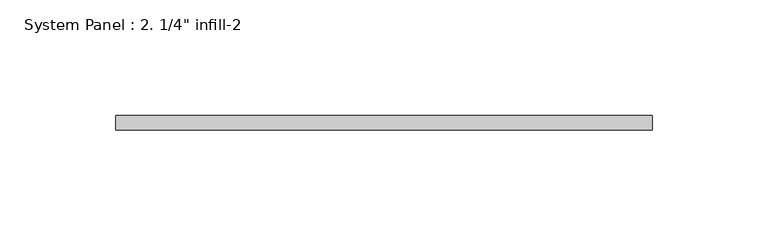
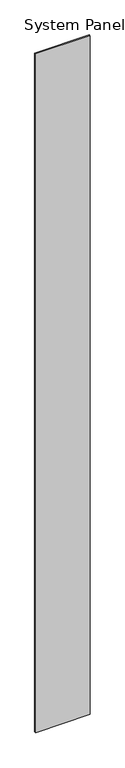
"""IFC4 building model written with IfcOpenShell, lengths in millimetres: plate geometry."""

from ifc_helpers import new_model, si_unit, origin, origin_with_axes, place, context, project, spatial, polyline, outline, extrude, source, transform, mapped, element, save


def plate_c7cd5bea(model_context):
    return source(origin(), model_context, "Body", "SweptSolid", [
        extrude(outline(polyline([(116.0587262, 0.0), (-116.0587262, 0.0), (-116.0587262, 6.35), (116.0587262, 6.35), (116.0587262, 0.0)])), origin_with_axes(), (0.0, 0.0, 1.0), 3048.0),
    ])


if __name__ == "__main__":
    model = new_model("IFC4")
    model_context = context("Model", 3, world=origin())
    ifc_project = project(units=[si_unit("LENGTHUNIT", "METRE", prefix="MILLI")], contexts=[model_context])
    site = spatial("IfcSite", under=ifc_project)
    building = spatial("IfcBuilding", under=site)
    placement = place(None, origin())
    plate_shape = plate_c7cd5bea(model_context)
    element("IfcPlate", 1, ObjectType="System Panel : 2. 1/4\" infill-2", at=placement, inside=building, context=model_context, shape_type="MappedRepresentation", body=[
        mapped(plate_shape, transform((0.0, 0.0, 0.0), x_axis=(1.0, 0.0, 0.0), y_axis=(0.0, 1.0, 0.0), z_axis=(0.0, 0.0, 1.0))),
    ])
    save(model, "model.ifc")
